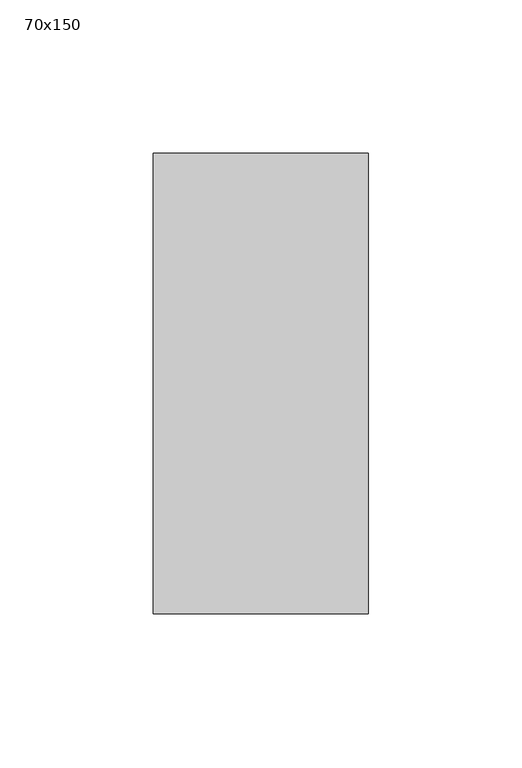
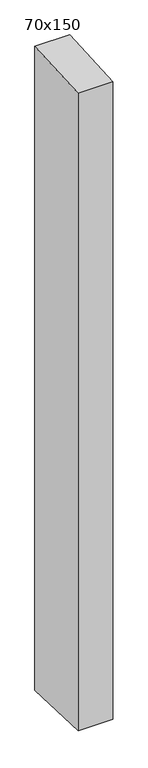
"""IFC4 building model written with IfcOpenShell, lengths in millimetres: member geometry, 70x150."""

from ifc_helpers import new_model, si_unit, frame, origin, place, context, project, spatial, polyline, outline, extrude, source, transform, mapped, element, save


def member_70x150_66c9c7cc(model_context):
    return source(origin(), model_context, "Body", "SweptSolid", [
        extrude(outline(polyline([(-75.0, -4.0221102), (75.0, 4.0221102), (75.0, -1360.8222917), (-75.0, -1355.5098618), (-75.0, -4.0221102)])), frame((-70.0, 0.0, 0.0), z_axis=(1.0, 0.0, 0.0), x_axis=(0.0, 1.0, 0.0)), (0.0, 0.0, 1.0), 70.0),
    ])


if __name__ == "__main__":
    model = new_model("IFC4")
    model_context = context("Model", 3, world=origin())
    ifc_project = project(units=[si_unit("LENGTHUNIT", "METRE", prefix="MILLI")], contexts=[model_context])
    site = spatial("IfcSite", under=ifc_project)
    building = spatial("IfcBuilding", under=site)
    placement = place(None, origin())
    member_70x150_shape = member_70x150_66c9c7cc(model_context)
    element("IfcMember", 1, ObjectType="70x150", at=placement, inside=building, context=model_context, shape_type="MappedRepresentation", body=[
        mapped(member_70x150_shape, transform((0.0, 0.0, 0.0), x_axis=(1.0, 0.0, 0.0), y_axis=(0.0, 1.0, 0.0), z_axis=(0.0, 0.0, 1.0))),
    ])
    save(model, "model.ifc")
